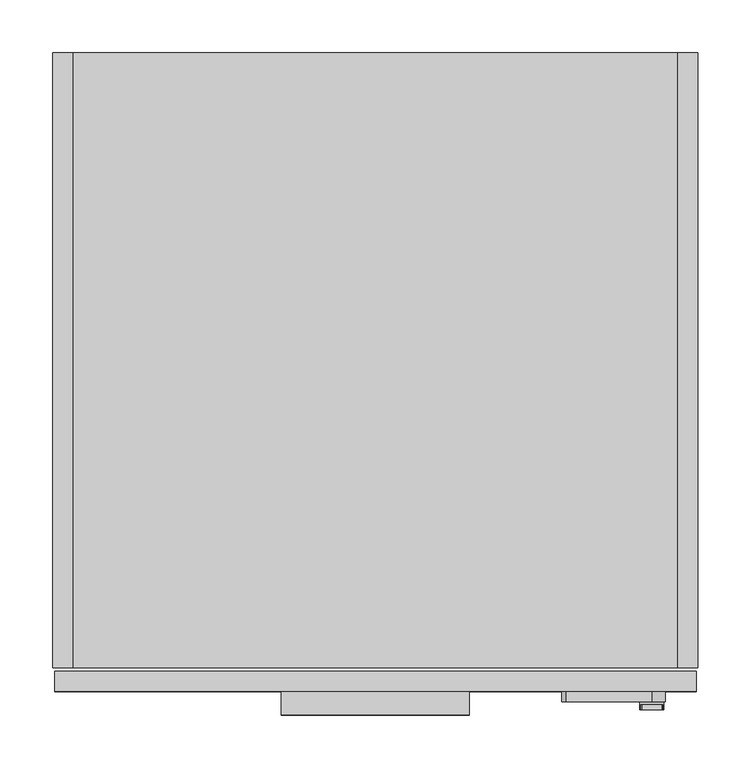
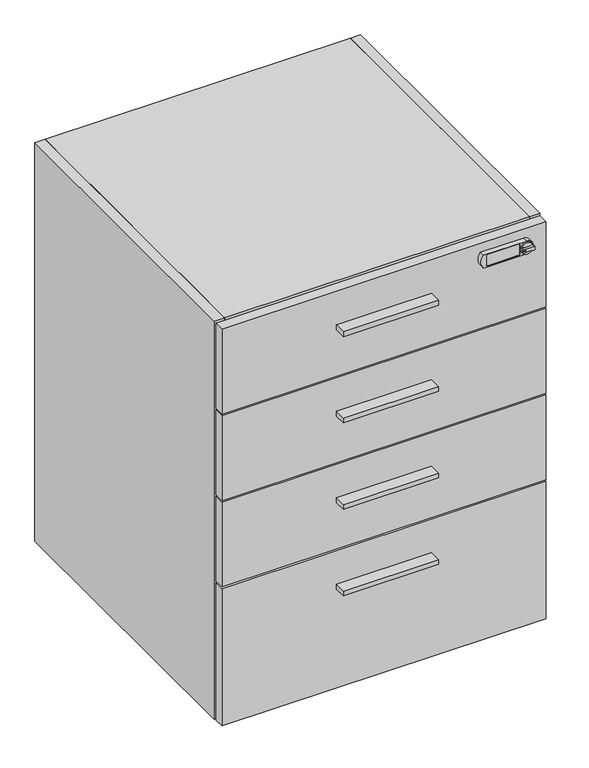
"""IFC4 building model written with IfcOpenShell, lengths in millimetres: furniture geometry."""

from ifc_helpers import new_model, si_unit, frame, origin, place, context, project, spatial, polyline, circle_curve, outline, extrude, source, transform, mapped, element, save
from ifc_brep_helpers import plane_surface, cylinder_surface, revolved_surface, advanced_brep


def furniture_2e06f982(model_context):
    return source(origin(), model_context, "Body", "SolidModel", [
        advanced_brep(
        [(554.5389516, -621.03, 855.98), (554.9271839, -621.03, 853.026313), (556.6841031, -621.03, 852.1130336), (575.8171501, -621.03, 852.0828845), (577.0107192, -621.03, 853.026313), (577.3989516, -621.03, 855.98), (577.0107192, -621.03, 858.933687), (575.8171501, -621.03, 859.8771155), (556.6841031, -621.03, 859.8469664), (554.9271839, -621.03, 858.933687), (556.5563122, -621.03, 856.742), (559.8468737, -621.03, 856.742), (559.8468737, -621.03, 855.218), (556.5563122, -621.03, 855.218), (554.5389516, -613.41, 855.98), (577.3989516, -613.41, 855.98), (577.0107192, -615.5824403, 853.026313), (554.9271839, -615.5824403, 853.026313), (554.9271839, -615.5824403, 858.933687), (577.0107192, -615.5824403, 858.933687), (575.8171501, -615.5824403, 859.8771155), (556.6841031, -615.5824403, 859.8469664), (575.8171501, -615.5824403, 852.0828845), (556.6841031, -615.5824403, 852.1130336), (559.8468737, -619.8058699, 856.742), (556.5563122, -619.8058699, 856.742), (556.5563122, -619.8058699, 855.218), (559.8468737, -619.8058699, 855.218)],
        [
            (0, 1, circle_curve(frame((565.9689516, -621.03, 855.98), z_axis=(0.0, -1.0, 0.0), x_axis=(1.0, 0.0, 0.0)), 11.43)),
            (1, 2, circle_curve(frame((556.3238335, -621.03, 853.56654), z_axis=(0.0, -1.0, 0.0), x_axis=(1.0, 0.0, 0.0)), 1.4974896)),
            (2, 3, circle_curve(frame((566.1902164, -621.03, 813.7606576), z_axis=(0.0, 1.0, 0.0), x_axis=(1.0, 0.0, 0.0)), 39.512921)),
            (3, 4, circle_curve(frame((575.6140697, -621.03, 853.56654), z_axis=(0.0, -1.0, 0.0), x_axis=(1.0, 0.0, 0.0)), 1.4974896)),
            (4, 5, circle_curve(frame((565.9689516, -621.03, 855.98), z_axis=(0.0, -1.0, 0.0), x_axis=(1.0, 0.0, 0.0)), 11.43)),
            (5, 6, circle_curve(frame((565.9689516, -621.03, 855.98), z_axis=(0.0, -1.0, 0.0), x_axis=(1.0, 0.0, 0.0)), 11.43)),
            (6, 7, circle_curve(frame((575.6140697, -621.03, 858.39346), z_axis=(0.0, -1.0, 0.0), x_axis=(1.0, 0.0, 0.0)), 1.4974896)),
            (7, 8, circle_curve(frame((566.1902164, -621.03, 898.1993424), z_axis=(0.0, 1.0, 0.0), x_axis=(1.0, 0.0, 0.0)), 39.512921)),
            (8, 9, circle_curve(frame((556.3238335, -621.03, 858.39346), z_axis=(0.0, -1.0, 0.0), x_axis=(1.0, 0.0, 0.0)), 1.4974896)),
            (9, 0, circle_curve(frame((565.9689516, -621.03, 855.98), z_axis=(0.0, -1.0, 0.0), x_axis=(1.0, 0.0, 0.0)), 11.43)),
            (10, 11),
            (11, 12, circle_curve(frame((559.8468737, -621.03, 855.98), z_axis=(0.0, 1.0, 0.0), x_axis=(-1.0, 0.0, 0.0)), 0.762)),
            (12, 13),
            (13, 10, circle_curve(frame((556.5563122, -621.03, 855.98), z_axis=(0.0, 1.0, 0.0), x_axis=(1.0, 0.0, 0.0)), 0.762)),
            (14, 15, circle_curve(frame((565.9689516, -613.41, 855.98), z_axis=(0.0, 1.0, 0.0), x_axis=(1.0, 0.0, 0.0)), 11.43)),
            (15, 14, circle_curve(frame((565.9689516, -613.41, 855.98), z_axis=(0.0, 1.0, 0.0), x_axis=(1.0, 0.0, 0.0)), 11.43)),
            (15, 5),
            (4, 16),
            (16, 17, circle_curve(frame((565.9689516, -615.5824403, 855.98), z_axis=(0.0, 1.0, 0.0), x_axis=(1.0, 0.0, 0.0)), 11.43)),
            (17, 1),
            (0, 14),
            (9, 18),
            (18, 19, circle_curve(frame((565.9689516, -615.5824403, 855.98), z_axis=(0.0, 1.0, 0.0), x_axis=(1.0, 0.0, 0.0)), 11.43)),
            (19, 6),
            (20, 19, circle_curve(frame((575.6140697, -615.5824403, 858.39346), z_axis=(0.0, 1.0, 0.0), x_axis=(1.0, 0.0, 0.0)), 1.4974896)),
            (18, 21, circle_curve(frame((556.3238335, -615.5824403, 858.39346), z_axis=(0.0, 1.0, 0.0), x_axis=(1.0, 0.0, 0.0)), 1.4974896)),
            (21, 20, circle_curve(frame((566.1902164, -615.5824403, 898.1993424), z_axis=(0.0, -1.0, 0.0), x_axis=(1.0, 0.0, 0.0)), 39.512921)),
            (22, 23, circle_curve(frame((566.1902164, -615.5824403, 813.7606576), z_axis=(0.0, -1.0, 0.0), x_axis=(1.0, 0.0, 0.0)), 39.512921)),
            (23, 17, circle_curve(frame((556.3238335, -615.5824403, 853.56654), z_axis=(0.0, 1.0, 0.0), x_axis=(1.0, 0.0, 0.0)), 1.4974896)),
            (16, 22, circle_curve(frame((575.6140697, -615.5824403, 853.56654), z_axis=(0.0, 1.0, 0.0), x_axis=(1.0, 0.0, 0.0)), 1.4974896)),
            (20, 7),
            (8, 21),
            (22, 3),
            (2, 23),
            (24, 25),
            (25, 26, circle_curve(frame((556.5563122, -619.8058699, 855.98), z_axis=(0.0, -1.0, 0.0), x_axis=(1.0, 0.0, 0.0)), 0.762)),
            (26, 27),
            (27, 24, circle_curve(frame((559.8468737, -619.8058699, 855.98), z_axis=(0.0, -1.0, 0.0), x_axis=(-1.0, 0.0, 0.0)), 0.762)),
            (24, 11),
            (10, 25),
            (13, 26),
            (12, 27),
        ],
        [
            plane_surface(frame((577.3989516, -621.03, 855.98), z_axis=(0.0, -1.0, 0.0), x_axis=(0.0, 0.0, 1.0))),
            plane_surface(frame((577.3989516, -613.41, 855.98), z_axis=(0.0, 1.0, 0.0), x_axis=(0.0, 0.0, -1.0))),
            cylinder_surface(frame((565.9689516, -613.41, 855.98), z_axis=(0.0, -1.0, 0.0), x_axis=(1.0, 0.0, 0.0)), 11.43),
            plane_surface(frame((577.1115593, -615.5824403, 858.39346), z_axis=(0.0, -1.0, 0.0), x_axis=(0.0, 0.0, 1.0))),
            cylinder_surface(frame((575.6140697, -615.5824403, 858.39346), z_axis=(0.0, 1.0, 0.0), x_axis=(1.0, 0.0, 0.0)), 1.4974896),
            cylinder_surface(frame((556.3238335, -615.5824403, 858.39346), z_axis=(0.0, 1.0, 0.0), x_axis=(1.0, 0.0, 0.0)), 1.4974896),
            revolved_surface(polyline([(605.7031374000001, -621.03, 898.1993424), (605.7031374000001, -615.5824403, 898.1993424)]), (566.1902164, -615.5824403, 898.1993424), (0.0, -1.0, 0.0)),
            revolved_surface(polyline([(605.7031374000001, -621.03, 813.7606576), (605.7031374000001, -615.5824403, 813.7606576)]), (566.1902164, -603.504, 813.7606576), (0.0, -1.0, 0.0)),
            cylinder_surface(frame((556.3238335, -603.504, 853.56654), z_axis=(0.0, 1.0, 0.0), x_axis=(1.0, 0.0, 0.0)), 1.4974896),
            cylinder_surface(frame((575.6140697, -603.504, 853.56654), z_axis=(0.0, 1.0, 0.0), x_axis=(1.0, 0.0, 0.0)), 1.4974896),
            plane_surface(frame((480.7626549, -619.8058699, 856.742), z_axis=(0.0, -1.0, 0.0), x_axis=(1.0, 0.0, 0.0))),
            plane_surface(frame((559.8468737, -621.03, 856.742), z_axis=(0.0, 0.0, -1.0), x_axis=(0.0, 1.0, 0.0))),
            revolved_surface(polyline([(557.3183121999999, -621.03, 855.98), (557.3183121999999, -619.8058699, 855.98)]), (556.5563122, -619.8058699, 855.98), (0.0, -1.0, 0.0)),
            plane_surface(frame((556.5563122, -621.03, 855.218), z_axis=(0.0, 0.0, 1.0), x_axis=(0.0, 1.0, 0.0))),
            revolved_surface(polyline([(559.0848737, -621.03, 855.98), (559.0848737, -619.8058699, 855.98)]), (559.8468737, -619.8058699, 855.98), (0.0, -1.0, 0.0)),
        ],
        [
            (0, [[1, 2, 3, 4, 5, 6, 7, 8, 9, 10], [11, 12, 13, 14]]),
            (1, [[15, 16]]),
            (2, [[-16, 17, -5, 18, 19, 20, -1, 21]]),
            (2, [[-15, -21, -10, 22, 23, 24, -6, -17]]),
            (3, [[25, -23, 26, 27]]),
            (3, [[28, 29, -19, 30]]),
            (4, [[-25, 31, -7, -24]]),
            (5, [[-26, -22, -9, 32]]),
            (6, [[-27, -32, -8, -31]]),
            (7, [[-28, 33, -3, 34]]),
            (8, [[-29, -34, -2, -20]]),
            (9, [[-30, -18, -4, -33]]),
            (10, [[35, 36, 37, 38]]),
            (11, [[-35, 39, -11, 40]]),
            (12, [[-36, -40, -14, 41]]),
            (13, [[-37, -41, -13, 42]]),
            (14, [[-38, -42, -12, -39]]),
        ],
    ),
        advanced_brep(
        [(485.4119282, -613.41, 868.68), (485.4119282, -613.41, 843.28), (566.1025, -613.41, 843.28), (566.1025, -613.41, 868.68), (550.8083266, -613.41, 844.55), (494.1927741, -613.41, 844.55), (491.6527741, -613.41, 847.09), (491.6527741, -613.41, 864.87), (494.1927741, -613.41, 867.41), (550.8083266, -613.41, 867.41), (553.3483266, -613.41, 864.87), (553.3483266, -613.41, 847.09), (485.4119282, -603.504, 868.68), (566.1025, -603.504, 868.68), (566.1025, -603.504, 843.28), (485.4119282, -603.504, 843.28), (491.6527741, -611.9032162, 847.09), (494.1927741, -611.9032162, 844.55), (550.8083266, -611.9032162, 844.55), (553.3483266, -611.9032162, 847.09), (553.3483266, -611.9032162, 864.87), (550.8083266, -611.9032162, 867.41), (494.1927741, -611.9032162, 867.41), (491.6527741, -611.9032162, 864.87)],
        [
            (0, 1, circle_curve(frame((500.433013, -613.41, 855.98), z_axis=(0.0, -1.0, 0.0), x_axis=(1.0, 0.0, 0.0)), 19.6703582)),
            (1, 2),
            (2, 3, circle_curve(frame((566.1025, -613.41, 855.98), z_axis=(0.0, -1.0, 0.0), x_axis=(1.0, 0.0, 0.0)), 12.7)),
            (3, 0),
            (4, 5),
            (5, 6, circle_curve(frame((494.1927741, -613.41, 847.09), z_axis=(0.0, 1.0, 0.0), x_axis=(1.0, 0.0, 0.0)), 2.54)),
            (6, 7),
            (7, 8, circle_curve(frame((494.1927741, -613.41, 864.87), z_axis=(0.0, 1.0, 0.0), x_axis=(1.0, 0.0, 0.0)), 2.54)),
            (8, 9),
            (9, 10, circle_curve(frame((550.8083266, -613.41, 864.87), z_axis=(0.0, 1.0, 0.0), x_axis=(1.0, 0.0, 0.0)), 2.54)),
            (10, 11),
            (11, 4, circle_curve(frame((550.8083266, -613.41, 847.09), z_axis=(0.0, 1.0, 0.0), x_axis=(1.0, 0.0, 0.0)), 2.54)),
            (12, 13),
            (13, 14, circle_curve(frame((566.1025, -603.504, 855.98), z_axis=(0.0, 1.0, 0.0), x_axis=(1.0, 0.0, 0.0)), 12.7)),
            (14, 15),
            (15, 12, circle_curve(frame((500.433013, -603.504, 855.98), z_axis=(0.0, 1.0, 0.0), x_axis=(1.0, 0.0, 0.0)), 19.6703582)),
            (1, 15),
            (14, 2),
            (3, 13),
            (12, 0),
            (16, 17, circle_curve(frame((494.1927741, -611.9032162, 847.09), z_axis=(0.0, -1.0, 0.0), x_axis=(1.0, 0.0, 0.0)), 2.54)),
            (17, 18),
            (18, 19, circle_curve(frame((550.8083266, -611.9032162, 847.09), z_axis=(0.0, -1.0, 0.0), x_axis=(1.0, 0.0, 0.0)), 2.54)),
            (19, 20),
            (20, 21, circle_curve(frame((550.8083266, -611.9032162, 864.87), z_axis=(0.0, -1.0, 0.0), x_axis=(1.0, 0.0, 0.0)), 2.54)),
            (21, 22),
            (22, 23, circle_curve(frame((494.1927741, -611.9032162, 864.87), z_axis=(0.0, -1.0, 0.0), x_axis=(1.0, 0.0, 0.0)), 2.54)),
            (23, 16),
            (17, 5),
            (4, 18),
            (19, 11),
            (10, 20),
            (21, 9),
            (8, 22),
            (23, 7),
            (6, 16),
        ],
        [
            plane_surface(frame((520.1033712, -613.41, 855.98), z_axis=(0.0, -1.0, 0.0), x_axis=(0.0, 0.0, 1.0))),
            plane_surface(frame((520.1033712, -603.504, 855.98), z_axis=(0.0, 1.0, 0.0), x_axis=(0.0, 0.0, -1.0))),
            plane_surface(frame((485.4119282, -613.41, 843.28), z_axis=(0.0, 0.0, -1.0), x_axis=(0.0, 1.0, 0.0))),
            plane_surface(frame((566.1025, -613.41, 868.68), z_axis=(-2.791359111065728e-12, 0.0, 1.0), x_axis=(0.0, 1.0, 0.0))),
            plane_surface(frame((496.7327741, -611.9032162, 847.09), z_axis=(0.0, -1.0, 0.0), x_axis=(0.0, 0.0, -1.0))),
            cylinder_surface(frame((566.1025, -603.504, 855.98), z_axis=(0.0, -1.0, 0.0), x_axis=(1.0, 0.0, 0.0)), 12.7),
            plane_surface(frame((494.1927741, -619.8058699, 844.55), z_axis=(3.0483134258883253e-12, 0.0, 1.0), x_axis=(0.0, 1.0, 0.0))),
            plane_surface(frame((553.3483266, -619.8058699, 847.09), z_axis=(-1.0, 0.0, 0.0), x_axis=(0.0, 1.0, 0.0))),
            plane_surface(frame((550.8083266, -619.8058699, 867.41), z_axis=(0.0, 0.0, -1.0), x_axis=(0.0, 1.0, 0.0))),
            plane_surface(frame((491.6527741, -619.8058699, 864.87), z_axis=(1.0, 0.0, 0.0), x_axis=(0.0, 1.0, 0.0))),
            revolved_surface(polyline([(496.73277410000003, -613.41, 847.09), (496.73277410000003, -611.9032162, 847.09)]), (494.1927741, -611.9032162, 847.09), (0.0, -1.0, 0.0)),
            revolved_surface(polyline([(553.3483266, -613.41, 847.09), (553.3483266, -611.9032162, 847.09)]), (550.8083266, -611.9032162, 847.09), (0.0, -1.0, 0.0)),
            revolved_surface(polyline([(553.3483266, -613.41, 864.87), (553.3483266, -611.9032162, 864.87)]), (550.8083266, -611.9032162, 864.87), (0.0, -1.0, 0.0)),
            revolved_surface(polyline([(496.73277410000003, -613.41, 864.87), (496.73277410000003, -611.9032162, 864.87)]), (494.1927741, -611.9032162, 864.87), (0.0, -1.0, 0.0)),
            cylinder_surface(frame((500.433013, -603.504, 855.98), z_axis=(0.0, -1.0, 0.0), x_axis=(1.0, 0.0, 0.0)), 19.6703582),
        ],
        [
            (0, [[1, 2, 3, 4], [5, 6, 7, 8, 9, 10, 11, 12]]),
            (1, [[13, 14, 15, 16]]),
            (2, [[-2, 17, -15, 18]]),
            (3, [[-4, 19, -13, 20]]),
            (4, [[21, 22, 23, 24, 25, 26, 27, 28]]),
            (5, [[-3, -18, -14, -19]]),
            (6, [[-22, 29, -5, 30]]),
            (7, [[-24, 31, -11, 32]]),
            (8, [[-26, 33, -9, 34]]),
            (9, [[-28, 35, -7, 36]]),
            (10, [[-21, -36, -6, -29]]),
            (11, [[-23, -30, -12, -31]]),
            (12, [[-25, -32, -10, -33]]),
            (13, [[-27, -34, -8, -35]]),
            (14, [[-1, -20, -16, -17]]),
        ],
    ),
        extrude(outline(polyline([(393.7, -625.729), (215.9, -625.729), (215.9, -603.504), (393.7, -603.504), (393.7, -625.729)])), frame((0.0, 0.0, 297.3451), z_axis=(0.0, 0.0, 1.0), x_axis=(1.0, 0.0, 0.0)), (0.0, 0.0, 1.0), 9.525),
        extrude(outline(polyline([(393.7, -625.729), (215.9, -625.729), (215.9, -603.504), (393.7, -603.504), (393.7, -625.729)])), frame((0.0, 0.0, 809.9425), z_axis=(0.0, 0.0, 1.0), x_axis=(1.0, 0.0, 0.0)), (0.0, 0.0, 1.0), 9.525),
        extrude(outline(polyline([(393.7, -625.729), (215.9, -625.729), (215.9, -603.504), (393.7, -603.504), (393.7, -625.729)])), frame((0.0, 0.0, 639.0767), z_axis=(0.0, 0.0, 1.0), x_axis=(1.0, 0.0, 0.0)), (0.0, 0.0, 1.0), 9.525),
        extrude(outline(polyline([(393.7, -625.729), (215.9, -625.729), (215.9, -603.504), (393.7, -603.504), (393.7, -625.729)])), frame((0.0, 0.0, 468.2109), z_axis=(0.0, 0.0, 1.0), x_axis=(1.0, 0.0, 0.0)), (0.0, 0.0, 1.0), 9.525),
        extrude(outline(polyline([(590.296, 0.0), (590.296, -19.304), (19.304, -19.304), (19.304, 0.0), (590.296, 0.0)])), frame((0.0, 0.0, 101.6), z_axis=(0.0, 0.0, 1.0), x_axis=(1.0, 0.0, 0.0)), (0.0, 0.0, 1.0), 768.096),
        extrude(outline(polyline([(590.296, -581.025), (19.304, -581.025), (19.304, -19.304), (590.296, -19.304), (590.296, -581.025)])), frame((0.0, 0.0, 101.6), z_axis=(0.0, 0.0, 1.0), x_axis=(1.0, 0.0, 0.0)), (0.0, 0.0, 1.0), 19.304),
        extrude(outline(polyline([(590.296, -581.025), (19.304, -581.025), (19.304, 0.0), (590.296, 0.0), (590.296, -581.025)])), frame((0.0, 0.0, 869.696), z_axis=(0.0, 0.0, 1.0), x_axis=(1.0, 0.0, 0.0)), (0.0, 0.0, 1.0), 19.304),
        extrude(outline(polyline([(19.304, 0.0), (19.304, -581.025), (0.0, -581.025), (0.0, 0.0), (19.304, 0.0)])), frame((0.0, 0.0, 101.6), z_axis=(0.0, 0.0, 1.0), x_axis=(1.0, 0.0, 0.0)), (0.0, 0.0, 1.0), 787.4),
        extrude(outline(polyline([(590.296, 0.0), (609.6, 0.0), (609.6, -581.025), (590.296, -581.025), (590.296, 0.0)])), frame((0.0, 0.0, 101.6), z_axis=(0.0, 0.0, 1.0), x_axis=(1.0, 0.0, 0.0)), (0.0, 0.0, 1.0), 787.4),
        extrude(outline(polyline([(608.0125, -603.504), (1.5875, -603.504), (1.5875, -584.2), (608.0125, -584.2), (608.0125, -603.504)])), frame((0.0, 0.0, 718.1342), z_axis=(0.0, 0.0, 1.0), x_axis=(1.0, 0.0, 0.0)), (0.0, 0.0, 1.0), 167.6908),
        extrude(outline(polyline([(608.0125, -603.504), (1.5875, -603.504), (1.5875, -584.2), (608.0125, -584.2), (608.0125, -603.504)])), frame((0.0, 0.0, 547.2684), z_axis=(0.0, 0.0, 1.0), x_axis=(1.0, 0.0, 0.0)), (0.0, 0.0, 1.0), 167.6908),
        extrude(outline(polyline([(608.0125, -603.504), (1.5875, -603.504), (1.5875, -584.2), (608.0125, -584.2), (608.0125, -603.504)])), frame((0.0, 0.0, 376.4026), z_axis=(0.0, 0.0, 1.0), x_axis=(1.0, 0.0, 0.0)), (0.0, 0.0, 1.0), 167.6908),
        extrude(outline(polyline([(608.0125, -603.504), (1.5875, -603.504), (1.5875, -584.2), (608.0125, -584.2), (608.0125, -603.504)])), frame((0.0, 0.0, 101.6), z_axis=(0.0, 0.0, 1.0), x_axis=(1.0, 0.0, 0.0)), (0.0, 0.0, 1.0), 271.6276),
    ])


if __name__ == "__main__":
    model = new_model("IFC4")
    model_context = context("Model", 3, world=origin())
    ifc_project = project(units=[si_unit("LENGTHUNIT", "METRE", prefix="MILLI")], contexts=[model_context])
    site = spatial("IfcSite", under=ifc_project)
    building = spatial("IfcBuilding", under=site)
    placement = place(None, origin())
    furniture_shape = furniture_2e06f982(model_context)
    element("IfcFurniture", 1, at=placement, inside=building, context=model_context, shape_type="MappedRepresentation", body=[
        mapped(furniture_shape, transform((0.0, 0.0, 0.0), x_axis=(1.0, 0.0, 0.0), y_axis=(0.0, 1.0, 0.0), z_axis=(0.0, 0.0, 1.0))),
    ])
    save(model, "model.ifc")
